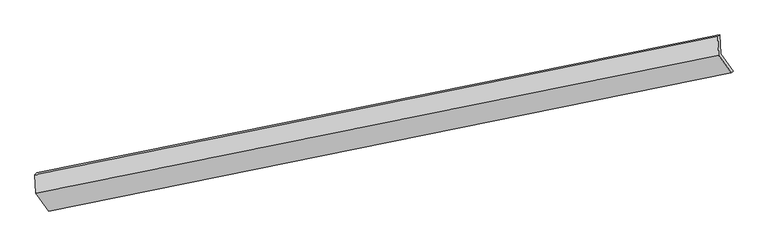
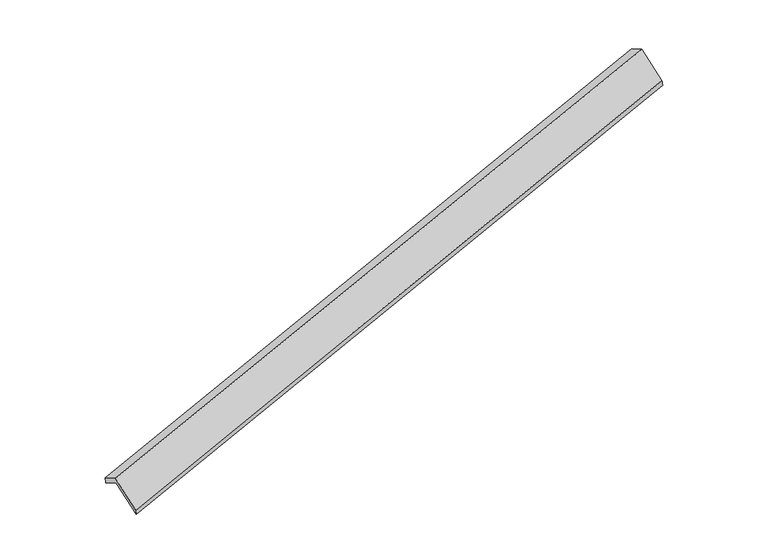
"""IFC4 building model written with IfcOpenShell, lengths in millimetres: proxy geometry."""

from ifc_helpers import new_model, si_unit, frame, origin, place, context, project, spatial, source, transform, mapped, element, save
from ifc_brep_helpers import plane_surface, spline_surface, advanced_brep


def generic_models_8664e53a(model_context):
    return source(origin(), model_context, "Body", "AdvancedBrep", [
        advanced_brep(
        [(-9653.8918879, -2860.3882997, 187.3868341), (-9670.4050212, -2485.4933907, -25.8715535), (3797.0792734, 232.9254036, 3861.9131303), (3813.5924067, -141.9695054, 4075.171518), (-9706.5649477, -2526.6688622, 130.7393384), (3758.5055847, 211.4002712, 4012.7761597), (-9690.6233225, -2888.5889189, 336.6170015), (3775.2123754, -167.8912096, 4228.5355304), (-9436.7549441, -3239.5203661, -299.9562033), (4025.7835601, -514.2648267, 3600.2300157), (-9404.9999685, -3204.4406076, -436.7079343), (4060.8357294, -483.7428982, 3455.2105946)],
        [
            (0, 1),
            (1, 2),
            (2, 3),
            (3, 0),
            (1, 4),
            (4, 5),
            (5, 2),
            (4, 6),
            (6, 7),
            (7, 5),
            (6, 8),
            (8, 9),
            (9, 7),
            (8, 10),
            (10, 11),
            (11, 9),
            (10, 0),
            (3, 11),
        ],
        [
            plane_surface(frame((-9662.1484546, -2672.9408452, 80.7576403), z_axis=(0.3305660949787076, -0.4556081655213527, -0.8265272266300705), x_axis=(-0.03825827387167785, 0.8685712051718965, -0.494085383336321))),
            spline_surface(1, 1, [[(-9670.4050212, -2485.4933907, -25.8715535), (3797.0792734, 232.9254036, 3861.9131303)], [(-9706.5649477, -2526.6688622, 130.7393384), (3758.5055847, 211.4002712, 4012.7761597)]], [2, 2], [2, 2], [0.0, 1.0], [0.0, 1.0]),
            plane_surface(frame((-9698.5941351, -2707.6288906, 233.67817), z_axis=(-0.3308962964341077, 0.45553987031547216, 0.8264327362581628), x_axis=(0.03825827387177987, -0.8685712051718438, 0.49408538333640545))),
            plane_surface(frame((-9563.6891333, -3064.0546425, 18.3303991), z_axis=(0.03330292588416686, -0.8695810703671272, 0.4926658879877064), x_axis=(0.3297193581492166, -0.45578300164831975, -0.8267690126450776))),
            spline_surface(1, 1, [[(-9436.7549441, -3239.5203661, -299.9562033), (4025.7835601, -514.2648267, 3600.2300157)], [(-9404.9999685, -3204.4406076, -436.7079343), (4060.8357294, -483.7428982, 3455.2105946)]], [2, 2], [2, 2], [0.0, 1.0], [0.0, 1.0]),
            plane_surface(frame((-9529.4459282, -3032.4144536, -124.6605501), z_axis=(-0.03330292588419312, 0.8695810703671629, -0.49266588798764177), x_axis=(-0.3297193581492105, 0.4557830016482523, 0.8267690126451173))),
            plane_surface(frame((3871.8348216, -143.9237942, 3872.3061581), z_axis=(0.9433034767994858, 0.19454027077936947, 0.2689472693728121), x_axis=(0.23017403459574903, 0.20042569625957107, -0.9522864348906694))),
            plane_surface(frame((-9593.8733486, -2867.5167409, -17.9654195), z_axis=(-0.9433034767994835, -0.19454027077941738, -0.2689472693727853), x_axis=(0.32971935814921144, -0.4557830016482658, -0.8267690126451094))),
        ],
        [
            (0, [[1, 2, 3, 4]]),
            (1, [[5, 6, 7, -2]]),
            (2, [[8, 9, 10, -6]]),
            (3, [[11, 12, 13, -9]]),
            (4, [[14, 15, 16, -12]]),
            (5, [[17, -4, 18, -15]]),
            (6, [[-16, -18, -3, -7, -10, -13]]),
            (7, [[-17, -14, -11, -8, -5, -1]]),
        ],
    ),
    ])


if __name__ == "__main__":
    model = new_model("IFC4")
    model_context = context("Model", 3, world=origin())
    ifc_project = project(units=[si_unit("LENGTHUNIT", "METRE", prefix="MILLI")], contexts=[model_context])
    site = spatial("IfcSite", under=ifc_project)
    building = spatial("IfcBuilding", under=site)
    placement = place(None, origin())
    generic_models_shape = generic_models_8664e53a(model_context)
    element("IfcBuildingElementProxy", 1, Name="Generic Models", at=placement, inside=building, context=model_context, shape_type="MappedRepresentation", body=[
        mapped(generic_models_shape, transform((0.0, 0.0, 0.0), x_axis=(1.0, 0.0, 0.0), y_axis=(0.0, 1.0, 0.0), z_axis=(0.0, 0.0, 1.0))),
    ])
    save(model, "model.ifc")
